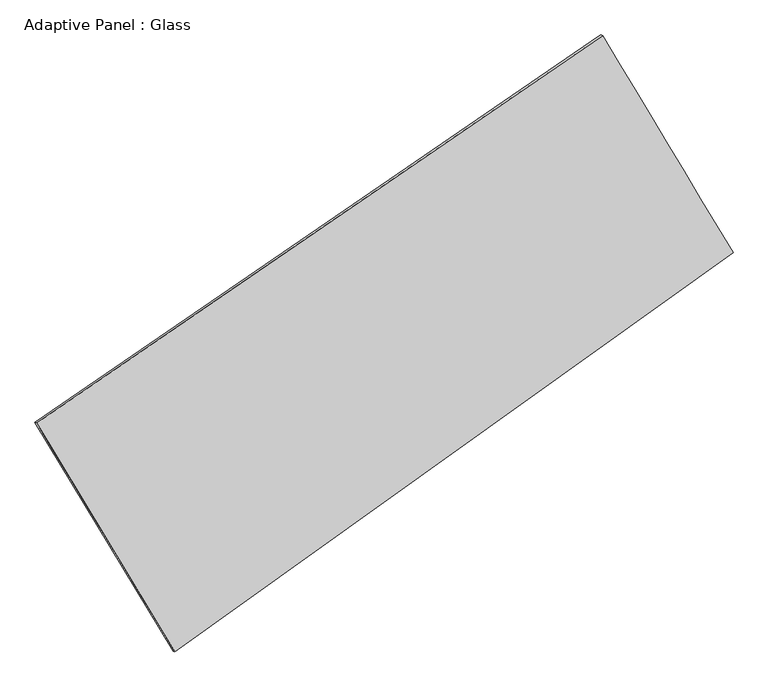
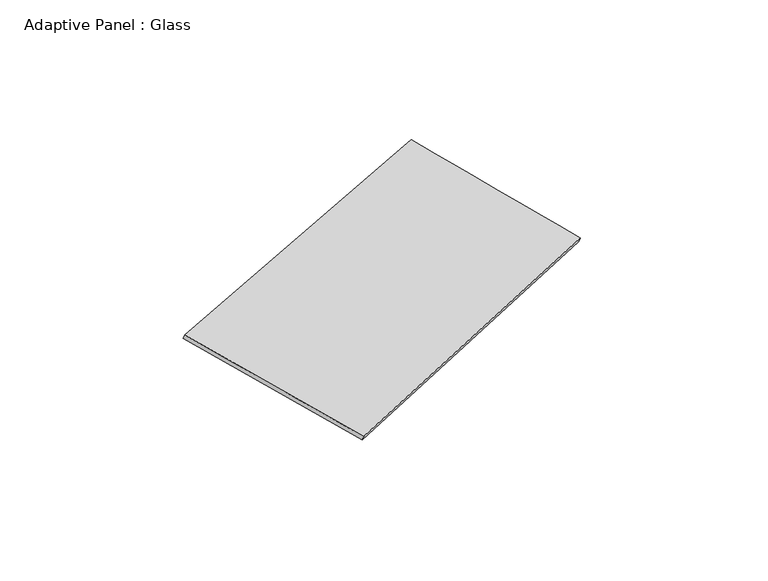
"""IFC4 building model written with IfcOpenShell, lengths in millimetres: plate geometry, Adaptive Panel : Glass."""

import ifcopenshell
import ifcopenshell.guid

model = None  # the IFC model being written
_history = None  # IfcOwnerHistory: only IFC2X3 demands one
_inside = {}  # id of a spatial element -> (the spatial element, [elements in it])
_under = {}  # id of a project, library or spatial element -> (it, [spatial elements below it])
_declared = {}  # id of a project -> (the project, [libraries it declares])
_typed = {}  # id of a type object -> (the type object, [elements of that type])
_made_of = {}  # id of a material, layer set ... -> (it, [elements and type objects made of it])


def new_model(schema):
    """Start an empty IFC model of exactly this schema.

    Asked for "IFC4X3", IfcOpenShell would pick the latest addendum, in which some entities
    have other attributes; the version numbers below select the first issue.
    IFC2X3 requires an IfcOwnerHistory on every rooted entity: one is made here for all.
    """
    global model, _history
    if schema == "IFC4X3":
        model = ifcopenshell.file(schema_version=(4, 3, 0, 0))
    else:
        model = ifcopenshell.file(schema=schema)
    _inside.clear()
    _under.clear()
    _declared.clear()
    _typed.clear()
    _made_of.clear()
    _history = None
    if model.schema == "IFC2X3":
        org = make("IfcOrganization", Name="unknown")
        user = make(
            "IfcPersonAndOrganization",
            ThePerson=make("IfcPerson", FamilyName="unknown"),
            TheOrganization=org,
        )
        app = make(
            "IfcApplication",
            ApplicationDeveloper=org,
            Version="unknown",
            ApplicationFullName="unknown",
            ApplicationIdentifier="unknown",
        )
        _history = make(
            "IfcOwnerHistory",
            OwningUser=user,
            OwningApplication=app,
            ChangeAction="ADDED",
            CreationDate=0,
        )
    return model


def make(cls, **values):
    """One entity of the class cls with the attributes given. An attribute that is None is left unset."""
    return model.create_entity(
        cls, **{name: value for name, value in values.items() if value is not None}
    )


def rooted(cls, **values):
    """An entity with a GlobalId (a new one), such as an element, a storey or a relation."""
    return make(cls, GlobalId=ifcopenshell.guid.new(), OwnerHistory=_history, **values)


def si_unit(unit_type, name, prefix=None):
    """IfcSIUnit, for example si_unit("LENGTHUNIT", "METRE", prefix="MILLI")."""
    return make("IfcSIUnit", UnitType=unit_type, Prefix=prefix, Name=name)


def assignment(units):
    """IfcUnitAssignment: the units of a project."""
    return None if units is None else make("IfcUnitAssignment", Units=units)


def point(xyz):
    """IfcCartesianPoint."""
    return None if xyz is None else make("IfcCartesianPoint", Coordinates=xyz)


def direction(xyz):
    """IfcDirection."""
    return None if xyz is None else make("IfcDirection", DirectionRatios=xyz)


def frame(location, z_axis=None, x_axis=None):
    """IfcAxis2Placement3D, a coordinate frame: its origin and axes. An axis left out is left unset."""
    return make(
        "IfcAxis2Placement3D",
        Location=point(location),
        Axis=direction(z_axis),
        RefDirection=direction(x_axis),
    )


def origin():
    """The frame at (0, 0, 0) with its axes left unset."""
    return frame((0.0, 0.0, 0.0))


def place(relative_to, where):
    """IfcLocalPlacement: puts the frame where relative to a parent placement (None: the world)."""
    return make(
        "IfcLocalPlacement", PlacementRelTo=relative_to, RelativePlacement=where
    )


def context(
    kind, dimensions, precision=None, world=None, true_north=None, identifier=None
):
    """IfcGeometricRepresentationContext, for example the 3D "Model" context."""
    return make(
        "IfcGeometricRepresentationContext",
        ContextIdentifier=identifier,
        ContextType=kind,
        CoordinateSpaceDimension=dimensions,
        Precision=precision,
        WorldCoordinateSystem=world,
        TrueNorth=true_north,
    )


def project(units=None, contexts=None):
    """IfcProject with its units and contexts."""
    return rooted(
        "IfcProject",
        Name="project",
        RepresentationContexts=contexts,
        UnitsInContext=assignment(units),
    )


def spatial(cls, under=None, at=None, **own):
    """A site, building, storey or space (cls), placed at a placement, below another one or the project."""
    s = rooted(cls, ObjectPlacement=at, **own)
    if under is not None:
        _under.setdefault(under.id(), (under, []))[1].append(s)
    return s


def shape(context_of_items, identifier, shape_type, items):
    """IfcShapeRepresentation: the items that make up one representation, for example the "Body"."""
    return make(
        "IfcShapeRepresentation",
        ContextOfItems=context_of_items,
        RepresentationIdentifier=identifier,
        RepresentationType=shape_type,
        Items=items,
    )


def source(mapping_origin, context_of_items, identifier, shape_type, items):
    """IfcRepresentationMap: a shape defined once, which mapped items show again and again."""
    return make(
        "IfcRepresentationMap",
        MappingOrigin=mapping_origin,
        MappedRepresentation=shape(context_of_items, identifier, shape_type, items),
    )


def transform(
    local_origin,
    x_axis=None,
    y_axis=None,
    z_axis=None,
    scale=None,
    scale2=None,
    scale3=None,
    uniform=True,
):
    """IfcCartesianTransformationOperator3D, or its non-uniform kind. x_axis, y_axis, z_axis: its Axis1, 2, 3."""
    if uniform:
        return make(
            "IfcCartesianTransformationOperator3D",
            Axis1=direction(x_axis),
            Axis2=direction(y_axis),
            LocalOrigin=point(local_origin),
            Scale=scale,
            Axis3=direction(z_axis),
        )
    return make(
        "IfcCartesianTransformationOperator3DnonUniform",
        Axis1=direction(x_axis),
        Axis2=direction(y_axis),
        LocalOrigin=point(local_origin),
        Scale=scale,
        Axis3=direction(z_axis),
        Scale2=scale2,
        Scale3=scale3,
    )


def mapped(mapping_source, mapping_target):
    """IfcMappedItem: shows the shape of a source again, moved by a transform."""
    return make(
        "IfcMappedItem", MappingSource=mapping_source, MappingTarget=mapping_target
    )


def made_of(thing, what):
    """Note that an element or type object is made of a material, layer set ...; save() writes the relation."""
    if what is not None:
        _made_of.setdefault(what.id(), (what, []))[1].append(thing)
    return thing


def element(
    cls,
    number,
    at=None,
    inside=None,
    cuts=None,
    type_object=None,
    material=None,
    context=None,
    identifier="Body",
    shape_type=None,
    held_by="IfcProductDefinitionShape",
    body=None,
    shapes=None,
    **own,
):
    """One element of the class cls, such as IfcWall. Its Tag is "e" and its number.

    at: its placement. inside: the storey or other place that contains it. cuts: it is an
    opening in that element (IfcRelVoidsElement). A single representation is given by context,
    identifier, shape_type and body (its items); several are given by shapes. held_by: the class
    of the entity that holds the representations. save() writes the other relations.
    """
    e = rooted(cls, Tag="e%d" % number, ObjectPlacement=at, **own)
    if body is not None:
        shapes = [shape(context, identifier, shape_type, body)]
    if shapes is not None:
        e.Representation = make(held_by, Representations=shapes)
    if inside is not None:
        _inside.setdefault(inside.id(), (inside, []))[1].append(e)
    if cuts is not None:
        rooted(
            "IfcRelVoidsElement", RelatingBuildingElement=cuts, RelatedOpeningElement=e
        )
    if type_object is not None:
        _typed.setdefault(type_object.id(), (type_object, []))[1].append(e)
    return made_of(e, material)


def aggregate(whole, parts):
    """IfcRelAggregates: a whole, such as a stair, and the parts it consists of."""
    return rooted("IfcRelAggregates", RelatingObject=whole, RelatedObjects=parts)


def save(model, path):
    """Write the relations noted so far, then the file.

    IfcRelAggregates (storeys below a building ...), IfcRelContainedInSpatialStructure (elements
    in a storey), IfcRelDefinesByType, IfcRelAssociatesMaterial and IfcRelDeclares: one each for
    every whole, place, type object, material and project.
    """
    for whole, parts in _under.values():
        aggregate(whole, parts)
    for where, things in _inside.values():
        rooted(
            "IfcRelContainedInSpatialStructure",
            RelatedElements=things,
            RelatingStructure=where,
        )
    for kind, things in _typed.values():
        rooted("IfcRelDefinesByType", RelatedObjects=things, RelatingType=kind)
    for what, things in _made_of.values():
        rooted("IfcRelAssociatesMaterial", RelatedObjects=things, RelatingMaterial=what)
    for by, libraries in _declared.values():
        rooted("IfcRelDeclares", RelatingContext=by, RelatedDefinitions=libraries)
    model.write(path)


def plane_surface(at):
    """IfcPlane: the flat surface through the origin of the frame at, square to its z axis."""
    return make("IfcPlane", Position=at)


def spline_surface(u_degree, v_degree, points, u_multiplicities, v_multiplicities, u_knots, v_knots, weights=None):
    """IfcBSplineSurfaceWithKnots; with weights, IfcRationalBSplineSurfaceWithKnots. points: one row for each step in u."""
    own = dict(
        UDegree=u_degree,
        VDegree=v_degree,
        ControlPointsList=[[point(p) for p in row] for row in points],
        SurfaceForm="UNSPECIFIED",
        UClosed=False,
        VClosed=False,
        SelfIntersect=False,
        UMultiplicities=u_multiplicities,
        VMultiplicities=v_multiplicities,
        UKnots=u_knots,
        VKnots=v_knots,
        KnotSpec="UNSPECIFIED",
    )
    if weights is None:
        return make("IfcBSplineSurfaceWithKnots", **own)
    return make("IfcRationalBSplineSurfaceWithKnots", WeightsData=weights, **own)


def advanced_brep(points, edges, surfaces, faces):
    """IfcAdvancedBrep: a solid bounded by faces that lie on surfaces and meet in shared edges.

    An edge is (start, end): straight between two places in points (the first is 0);
    or (start, end, curve); or (start, end, curve, False) where it runs against its curve.
    A face is (place in surfaces, loops), or (place, loops, False) where it looks against
    its surface's normal. A loop lists edges by number (the first is 1), with a minus sign
    where the edge is run from its end to its start. The first loop is the outer one.
    """
    corners = [point(p) for p in points]
    vertices = [make("IfcVertexPoint", VertexGeometry=c) for c in corners]
    made = []
    for start, end, *more in edges:
        made.append(
            make(
                "IfcEdgeCurve",
                EdgeStart=vertices[start],
                EdgeEnd=vertices[end],
                EdgeGeometry=more[0] if more else make("IfcPolyline", Points=[corners[start], corners[end]]),
                SameSense=more[1] if len(more) > 1 else True,
            )
        )
    hull = []
    for where, loops, *sense in faces:
        bounds = []
        for j, loop in enumerate(loops):
            ring = [make("IfcOrientedEdge", EdgeElement=made[abs(k) - 1], Orientation=k > 0) for k in loop]
            bounds.append(
                make(
                    "IfcFaceOuterBound" if j == 0 else "IfcFaceBound",
                    Bound=make("IfcEdgeLoop", EdgeList=ring),
                    Orientation=True,
                )
            )
        hull.append(make("IfcAdvancedFace", Bounds=bounds, FaceSurface=surfaces[where], SameSense=sense[0] if sense else True))
    return make("IfcAdvancedBrep", Outer=make("IfcClosedShell", CfsFaces=hull))


def adaptive_panel_glass_f7727e33(model_context):
    return source(origin(), model_context, "Body", "AdvancedBrep", [
        advanced_brep(
        [(1171.3430078, 2478.5182515, 661.5905097), (-3607.4238169, -795.5530729, 1686.1538767), (-3592.7574611, -801.9331663, 1733.5267847), (1186.0093636, 2472.1381581, 708.9634177), (-2440.1856097, -2728.7253084, 1078.0369174), (-2425.5192539, -2735.1054018, 1125.4098254), (2272.9758407, 645.5115569, 59.3412165), (2287.6421965, 639.1314634, 106.7141245)],
        [
            (0, 1),
            (1, 2),
            (2, 3),
            (3, 0),
            (1, 4),
            (4, 5),
            (5, 2),
            (4, 6),
            (6, 7),
            (7, 5),
            (6, 0),
            (3, 7),
        ],
        [
            plane_surface(frame((-1218.0404046, 841.4825893, 1173.8721932), z_axis=(-0.5050960724471298, 0.8207532526160223, 0.2669120752583215), x_axis=(-0.8123456455324484, -0.5565614898419092, 0.17416618560852817))),
            plane_surface(frame((-3023.8047133, -1762.1391906, 1382.095397), z_axis=(-0.8163702709779853, -0.5491594355416752, 0.17878337455949184), x_axis=(0.49910211144272904, -0.8266096316391899, -0.2600261510593359))),
            plane_surface(frame((-83.6048845, -1041.6068758, 568.6890669), z_axis=(0.521120933245164, -0.809529218986458, -0.2703616402910457), x_axis=(0.8008321800689806, 0.5733301295376737, -0.17309067545733978))),
            plane_surface(frame((1722.1594242, 1562.0149042, 360.4658631), z_axis=(0.8162807932487695, 0.5493079523720819, -0.17873567084930325), x_axis=(-0.49583815243378226, 0.8250250226328755, 0.2710686972349939))),
            spline_surface(1, 1, [[(-3592.7574611, -801.9331663, 1733.5267847), (1186.0093636, 2472.1381581, 708.9634177)], [(-2425.5192539, -2735.1054018, 1125.4098254), (2287.6421965, 639.1314634, 106.7141245)]], [2, 2], [2, 2], [0.0, 1.0], [0.0, 1.0]),
            spline_surface(1, 1, [[(2272.9758407, 645.5115569, 59.3412165), (1171.3430078, 2478.5182515, 661.5905097)], [(-2440.1856097, -2728.7253084, 1078.0369174), (-3607.4238169, -795.5530729, 1686.1538767)]], [2, 2], [2, 2], [0.0, 1.0], [0.0, 1.0]),
        ],
        [
            (0, [[1, 2, 3, 4]]),
            (1, [[5, 6, 7, -2]]),
            (2, [[8, 9, 10, -6]]),
            (3, [[11, -4, 12, -9]]),
            (4, [[-3, -7, -10, -12]]),
            (5, [[-11, -8, -5, -1]]),
        ],
    ),
    ])


if __name__ == "__main__":
    model = new_model("IFC4")
    model_context = context("Model", 3, world=origin())
    ifc_project = project(units=[si_unit("LENGTHUNIT", "METRE", prefix="MILLI")], contexts=[model_context])
    site = spatial("IfcSite", under=ifc_project)
    building = spatial("IfcBuilding", under=site)
    placement = place(None, origin())
    adaptive_panel_glass_shape = adaptive_panel_glass_f7727e33(model_context)
    element("IfcPlate", 1, ObjectType="Adaptive Panel : Glass", at=placement, inside=building, context=model_context, shape_type="MappedRepresentation", body=[
        mapped(adaptive_panel_glass_shape, transform((0.0, 0.0, 0.0), x_axis=(1.0, 0.0, 0.0), y_axis=(0.0, 1.0, 0.0), z_axis=(0.0, 0.0, 1.0))),
    ])
    save(model, "model.ifc")
